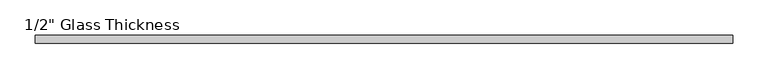
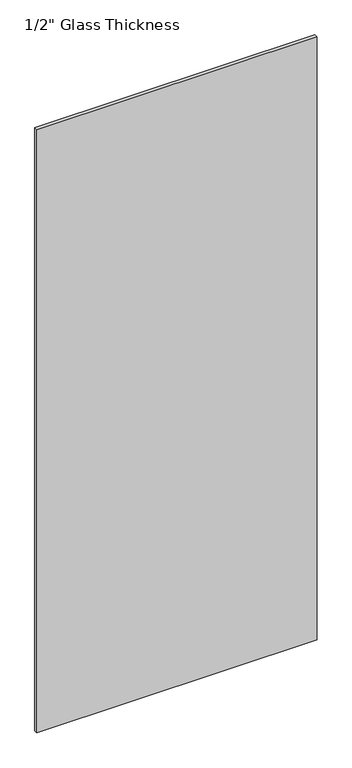
"""IFC4 building model written with IfcOpenShell, lengths in millimetres: plate geometry."""

from ifc_helpers import new_model, si_unit, origin, origin_with_axes, place, context, project, spatial, polyline, outline, extrude, source, transform, mapped, element, save


def plate_1d0b437b(model_context):
    return source(origin(), model_context, "Body", "SweptSolid", [
        extrude(outline(polyline([(498.0, 0.0), (-498.0, 0.0), (-498.0, 12.0), (498.0, 12.0), (498.0, 0.0)])), origin_with_axes(), (0.0, 0.0, 1.0), 2267.0),
    ])


if __name__ == "__main__":
    model = new_model("IFC4")
    model_context = context("Model", 3, world=origin())
    ifc_project = project(units=[si_unit("LENGTHUNIT", "METRE", prefix="MILLI")], contexts=[model_context])
    site = spatial("IfcSite", under=ifc_project)
    building = spatial("IfcBuilding", under=site)
    placement = place(None, origin())
    plate_shape = plate_1d0b437b(model_context)
    element("IfcPlate", 1, ObjectType="1/2\" Glass Thickness", at=placement, inside=building, context=model_context, shape_type="MappedRepresentation", body=[
        mapped(plate_shape, transform((0.0, 0.0, 0.0), x_axis=(1.0, 0.0, 0.0), y_axis=(0.0, 1.0, 0.0), z_axis=(0.0, 0.0, 1.0))),
    ])
    save(model, "model.ifc")
